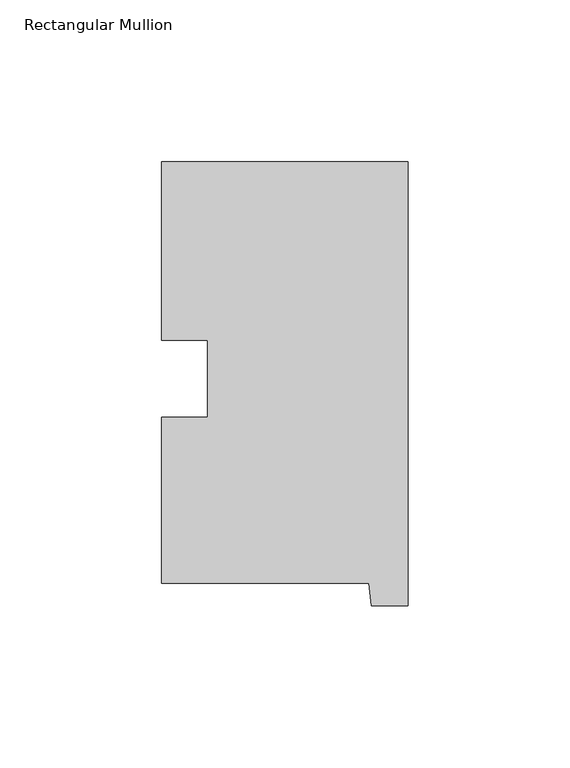
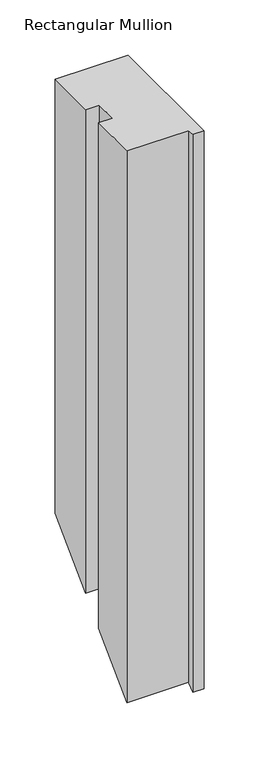
"""IFC4 building model written with IfcOpenShell, lengths in millimetres: member geometry, Rectangular Mullion."""

from ifc_helpers import new_model, si_unit, origin, place, context, project, spatial, faceted_brep, source, transform, mapped, element, save


def rectangular_mullion_b7996741(model_context):
    return source(origin(), model_context, "Body", "Brep", [
        faceted_brep([(-76.2, 130.56235, 0.0), (-76.2, 75.40625, 0.0), (-61.960125, 75.40625, 0.0), (-61.960125, 51.60645, 0.0), (-76.2, 51.60645, 0.0), (-76.2, 0.26035, 0.0), (-12.1549448, 0.26035, 0.0), (-11.4023812, -6.64845, 0.0), (0.0, -6.64845, 0.0), (0.0, 130.56235, 0.0), (-76.2, 130.56235, -479.03765), (-76.2, 75.40625, -534.19375), (-61.960125, 75.40625, -534.19375), (-61.960125, 51.60645, -557.99355), (-76.2, 51.60645, -557.99355), (-76.2, 0.26035, -609.33965), (-12.1549448, 0.26035, -609.33965), (-11.4023812, -6.64845, -616.24845), (0.0, -6.64845, -616.24845), (0.0, 130.56235, -479.03765)], [[[0, 1, 2, 3, 4, 5, 6, 7, 8, 9]], [[1, 0, 10, 11]], [[2, 1, 11, 12]], [[3, 2, 12, 13]], [[4, 3, 13, 14]], [[5, 4, 14, 15]], [[6, 5, 15, 16]], [[7, 6, 16, 17]], [[8, 7, 17, 18]], [[9, 8, 18, 19]], [[0, 9, 19, 10]], [[10, 19, 18, 17, 16, 15, 14, 13, 12, 11]]]),
    ])


if __name__ == "__main__":
    model = new_model("IFC4")
    model_context = context("Model", 3, world=origin())
    ifc_project = project(units=[si_unit("LENGTHUNIT", "METRE", prefix="MILLI")], contexts=[model_context])
    site = spatial("IfcSite", under=ifc_project)
    building = spatial("IfcBuilding", under=site)
    placement = place(None, origin())
    rectangular_mullion_shape = rectangular_mullion_b7996741(model_context)
    element("IfcMember", 1, ObjectType="Rectangular Mullion", at=placement, inside=building, context=model_context, shape_type="MappedRepresentation", body=[
        mapped(rectangular_mullion_shape, transform((0.0, 0.0, 0.0), x_axis=(1.0, 0.0, 0.0), y_axis=(0.0, 1.0, 0.0), z_axis=(0.0, 0.0, 1.0))),
    ])
    save(model, "model.ifc")
